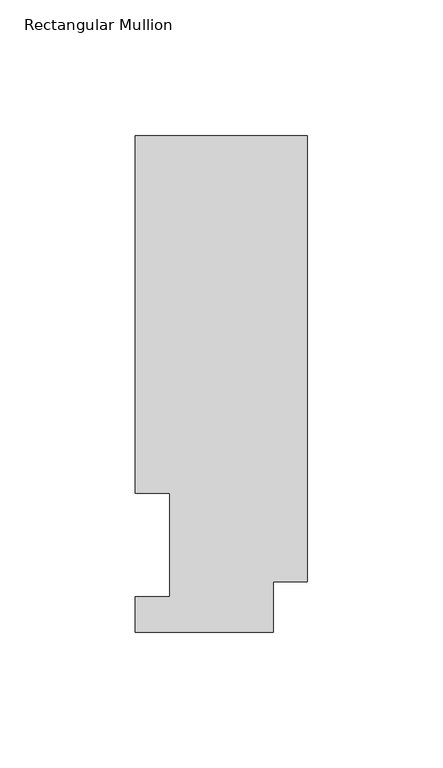
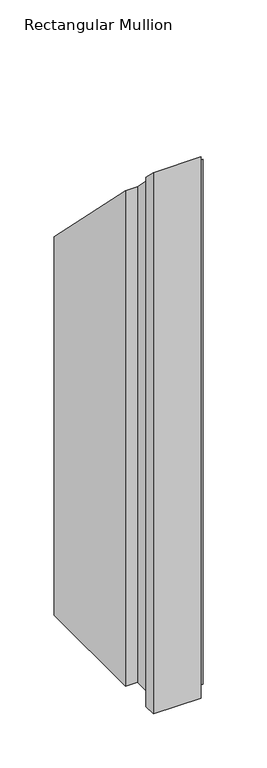
"""IFC4 building model written with IfcOpenShell, lengths in millimetres: member geometry, Rectangular Mullion."""

from ifc_helpers import new_model, si_unit, origin, place, context, project, spatial, faceted_brep, source, transform, mapped, element, save


def rectangular_mullion_5fb77d12(model_context):
    return source(origin(), model_context, "Body", "Brep", [
        faceted_brep([(0.0, 18.7332937, -609.6), (-12.7, 18.7332937, -609.6), (-12.7, 0.0134937, -609.6), (-63.5, 0.0134937, -609.6), (-63.5, 13.1960938, -609.6), (-50.8, 13.1960938, -609.6), (-50.8, 51.2960937, -609.6), (-63.5, 51.2960937, -609.6), (-63.5, 183.4446737, -609.6), (0.0, 183.4446737, -609.6), (0.0, 183.4446737, -183.4446737), (0.0, 18.7332937, -18.7332937), (-63.5, 183.4446737, -183.4446737), (-63.5, 51.2960937, -51.2960937), (-50.8, 51.2960937, -51.2960937), (-50.8, 13.1960938, -13.1960938), (-63.5, 13.1960938, -13.1960938), (-63.5, 0.0134937, -0.0134937), (-12.7, 0.0134937, -0.0134937), (-12.7, 18.7332937, -18.7332937)], [[[0, 1, 2, 3, 4, 5, 6, 7, 8, 9]], [[10, 11, 0, 9]], [[12, 10, 9, 8]], [[13, 12, 8, 7]], [[14, 13, 7, 6]], [[15, 14, 6, 5]], [[16, 15, 5, 4]], [[17, 16, 4, 3]], [[18, 17, 3, 2]], [[19, 18, 2, 1]], [[11, 19, 1, 0]], [[11, 10, 12, 13, 14, 15, 16, 17, 18, 19]]]),
    ])


if __name__ == "__main__":
    model = new_model("IFC4")
    model_context = context("Model", 3, world=origin())
    ifc_project = project(units=[si_unit("LENGTHUNIT", "METRE", prefix="MILLI")], contexts=[model_context])
    site = spatial("IfcSite", under=ifc_project)
    building = spatial("IfcBuilding", under=site)
    placement = place(None, origin())
    rectangular_mullion_shape = rectangular_mullion_5fb77d12(model_context)
    element("IfcMember", 1, ObjectType="Rectangular Mullion", at=placement, inside=building, context=model_context, shape_type="MappedRepresentation", body=[
        mapped(rectangular_mullion_shape, transform((0.0, 0.0, 0.0), x_axis=(1.0, 0.0, 0.0), y_axis=(0.0, 1.0, 0.0), z_axis=(0.0, 0.0, 1.0))),
    ])
    save(model, "model.ifc")
